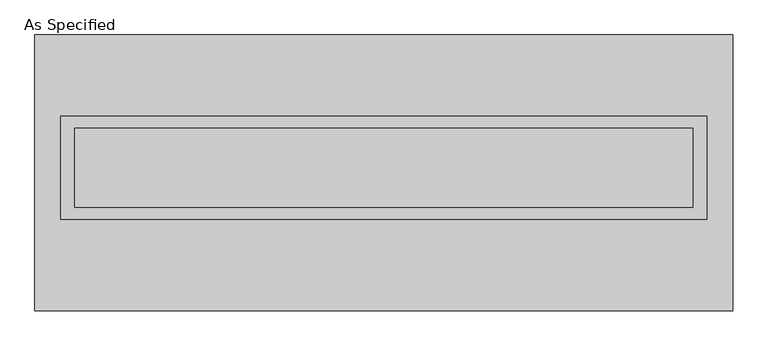
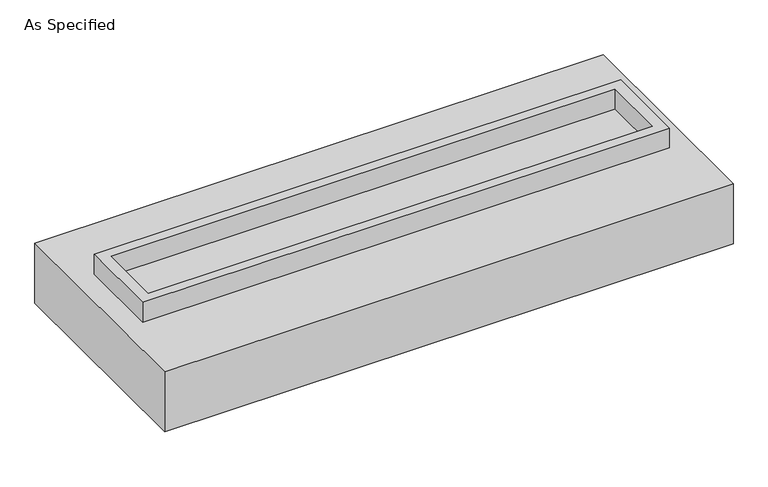
"""IFC4 building model written with IfcOpenShell, lengths in millimetres: proxy geometry, As Specified."""

from ifc_helpers import new_model, si_unit, frame, origin, place, context, project, spatial, polyline, outline, extrude, source, transform, mapped, element, save


def as_specified_1e70a114(model_context):
    return source(origin(), model_context, "Body", "SweptSolid", [
        extrude(outline(polyline([(2070.1, 361.95), (2070.1, -298.45), (-2070.1, -298.45), (-2070.1, 361.95), (2070.1, 361.95)]), holes=[polyline([(1981.2, 285.75), (-1981.2, 285.75), (-1981.2, -222.25), (1981.2, -222.25), (1981.2, 285.75)])]), frame((0.0, 0.0, -688.975), z_axis=(0.0, 0.0, 1.0), x_axis=(1.0, 0.0, 0.0)), (0.0, 0.0, 1.0), 165.1),
        extrude(outline(polyline([(2070.1, 361.95), (2070.1, -298.45), (-2070.1, -298.45), (-2070.1, 361.95), (2070.1, 361.95)]), holes=[polyline([(1981.2, 285.75), (-1981.2, 285.75), (-1981.2, -222.25), (1981.2, -222.25), (1981.2, 285.75)])]), frame((0.0, 0.0, -25.4), z_axis=(0.0, 0.0, 1.0), x_axis=(1.0, 0.0, 0.0)), (0.0, 0.0, 1.0), 165.1),
        extrude(outline(polyline([(1981.2, 285.75), (1981.2, -222.25), (-1981.2, -222.25), (-1981.2, 285.75), (1981.2, 285.75)])), frame((0.0, 0.0, -523.875), z_axis=(0.0, 0.0, 1.0), x_axis=(1.0, 0.0, 0.0)), (0.0, 0.0, 1.0), 4.9609375),
        extrude(outline(polyline([(1981.2, 285.75), (1981.2, -222.25), (-1981.2, -222.25), (-1981.2, 285.75), (1981.2, 285.75)])), frame((0.0, 0.0, -30.3609375), z_axis=(0.0, 0.0, 1.0), x_axis=(1.0, 0.0, 0.0)), (0.0, 0.0, 1.0), 4.9609375),
        extrude(outline(polyline([(2235.2, -882.65), (-2235.2, -882.65), (-2235.2, 882.65), (2235.2, 882.65), (2235.2, -882.65)]), holes=[polyline([(-2070.1, 361.95), (-2070.1, -298.45), (2070.1, -298.45), (2070.1, 361.95), (-2070.1, 361.95)])]), frame((0.0, 0.0, -523.875), z_axis=(0.0, 0.0, 1.0), x_axis=(1.0, 0.0, 0.0)), (0.0, 0.0, 1.0), 498.475),
    ])


if __name__ == "__main__":
    model = new_model("IFC4")
    model_context = context("Model", 3, world=origin())
    ifc_project = project(units=[si_unit("LENGTHUNIT", "METRE", prefix="MILLI")], contexts=[model_context])
    site = spatial("IfcSite", under=ifc_project)
    building = spatial("IfcBuilding", under=site)
    placement = place(None, origin())
    as_specified_shape = as_specified_1e70a114(model_context)
    element("IfcBuildingElementProxy", 1, Name="As Specified", ObjectType="As Specified", at=placement, inside=building, context=model_context, shape_type="MappedRepresentation", body=[
        mapped(as_specified_shape, transform((0.0, 0.0, 0.0), x_axis=(1.0, 0.0, 0.0), y_axis=(0.0, 1.0, 0.0), z_axis=(0.0, 0.0, 1.0))),
    ])
    save(model, "model.ifc")
